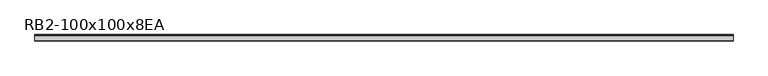
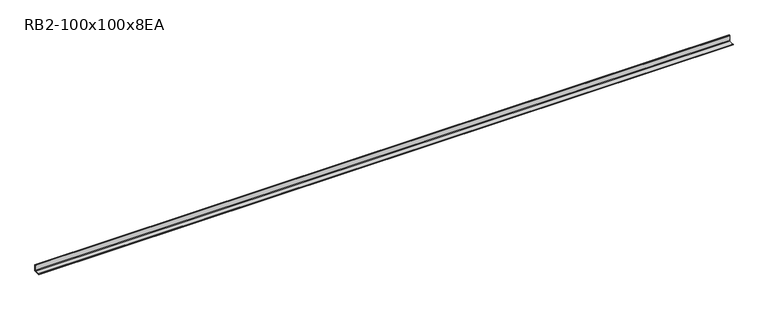
"""IFC4 building model written with IfcOpenShell, lengths in millimetres: member geometry, RB2-100x100x8EA."""

from ifc_helpers import new_model, si_unit, point, frame, frame_2d, origin, place, context, project, spatial, polyline, circle_curve, trimmed, segment, composite_curve, outline, extrude, source, transform, mapped, element, save


def rb2_100x100x8ea_5cb48e41(model_context):
    return source(origin(), model_context, "Body", "SweptSolid", [
        extrude(outline(composite_curve([segment(polyline([(27.5, -27.5), (-72.5, -27.5), (-72.5, -24.5)]), True, "CONTINUOUS"), segment(trimmed(circle_curve(frame_2d((-67.5, -24.5)), 5.0), [point((-72.5, -24.5))], [point((-67.5, -19.5))], False, "CARTESIAN"), True, "CONTINUOUS"), segment(polyline([(-67.5, -19.5), (11.5, -19.5)]), True, "CONTINUOUS"), segment(trimmed(circle_curve(frame_2d((11.5, -11.5)), 8.0), [point((11.5, -19.5))], [point((19.5, -11.5))], True, "CARTESIAN"), True, "CONTINUOUS"), segment(polyline([(19.5, -11.5), (19.5, 67.5)]), True, "CONTINUOUS"), segment(trimmed(circle_curve(frame_2d((24.5, 67.5)), 5.0), [point((19.5, 67.5))], [point((24.5, 72.5))], False, "CARTESIAN"), True, "CONTINUOUS"), segment(polyline([(24.5, 72.5), (27.5, 72.5), (27.5, -27.5)]), True, "CONTINUOUS")], self_intersect=False)), frame((-5399.0, 0.0, 0.0), z_axis=(1.0, 0.0, 0.0), x_axis=(0.0, 1.0, 0.0)), (0.0, 0.0, 1.0), 10797.6045794),
    ])


if __name__ == "__main__":
    model = new_model("IFC4")
    model_context = context("Model", 3, world=origin())
    ifc_project = project(units=[si_unit("LENGTHUNIT", "METRE", prefix="MILLI")], contexts=[model_context])
    site = spatial("IfcSite", under=ifc_project)
    building = spatial("IfcBuilding", under=site)
    placement = place(None, origin())
    rb2_100x100x8ea_shape = rb2_100x100x8ea_5cb48e41(model_context)
    element("IfcMember", 1, ObjectType="RB2-100x100x8EA", at=placement, inside=building, context=model_context, shape_type="MappedRepresentation", body=[
        mapped(rb2_100x100x8ea_shape, transform((0.0, 0.0, 0.0), x_axis=(1.0, 0.0, 0.0), y_axis=(0.0, 1.0, 0.0), z_axis=(0.0, 0.0, 1.0))),
    ])
    save(model, "model.ifc")
